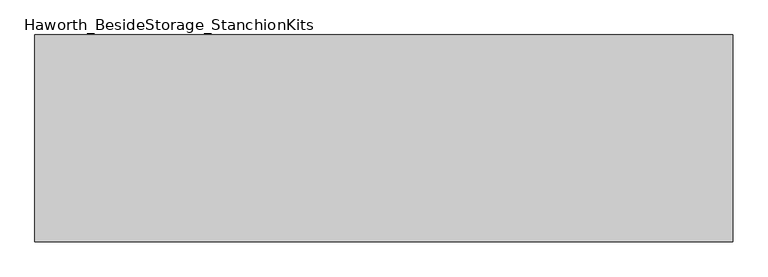
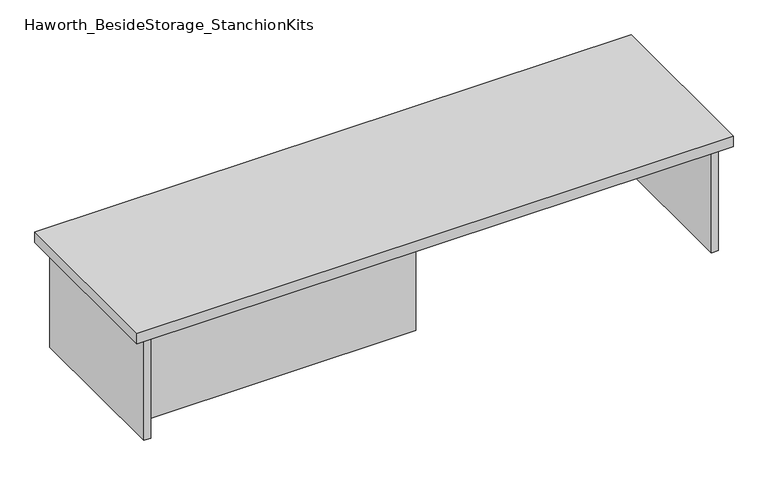
"""IFC4 building model written with IfcOpenShell, lengths in millimetres: furniture geometry, Haworth_BesideStorage_StanchionKits."""

from ifc_helpers import new_model, si_unit, frame, origin, place, context, project, spatial, polyline, outline, extrude, source, transform, mapped, element, save


def haworth_besidestorage_stanchionkits_d3ede033(model_context):
    return source(origin(), model_context, "Body", "SweptSolid", [
        extrude(outline(polyline([(847.725, 0.0), (847.725, -406.4), (-523.875, -406.4), (-523.875, 0.0), (847.725, 0.0)])), frame((0.0, 0.0, 685.8), z_axis=(0.0, 0.0, 1.0), x_axis=(1.0, 0.0, 0.0)), (0.0, 0.0, 1.0), 25.4),
        extrude(outline(polyline([(161.925, -76.2), (806.45, -76.2), (806.45, -92.075), (161.925, -92.075), (161.925, -76.2)])), frame((0.0, 0.0, 431.8), z_axis=(0.0, 0.0, 1.0), x_axis=(1.0, 0.0, 0.0)), (0.0, 0.0, 1.0), 254.0),
        extrude(outline(polyline([(161.925, -314.325), (161.925, -330.2), (-482.6, -330.2), (-482.6, -314.325), (161.925, -314.325)])), frame((0.0, 0.0, 431.8), z_axis=(0.0, 0.0, 1.0), x_axis=(1.0, 0.0, 0.0)), (0.0, 0.0, 1.0), 254.0),
        extrude(outline(polyline([(822.325, -390.525), (806.45, -390.525), (806.45, -15.875), (822.325, -15.875), (822.325, -390.525)])), frame((0.0, 0.0, 431.8), z_axis=(0.0, 0.0, 1.0), x_axis=(1.0, 0.0, 0.0)), (0.0, 0.0, 1.0), 254.0),
        extrude(outline(polyline([(-482.6, -390.525), (-498.475, -390.525), (-498.475, -15.875), (-482.6, -15.875), (-482.6, -390.525)])), frame((0.0, 0.0, 431.8), z_axis=(0.0, 0.0, 1.0), x_axis=(1.0, 0.0, 0.0)), (0.0, 0.0, 1.0), 254.0),
    ])


if __name__ == "__main__":
    model = new_model("IFC4")
    model_context = context("Model", 3, world=origin())
    ifc_project = project(units=[si_unit("LENGTHUNIT", "METRE", prefix="MILLI")], contexts=[model_context])
    site = spatial("IfcSite", under=ifc_project)
    building = spatial("IfcBuilding", under=site)
    placement = place(None, origin())
    haworth_besidestorage_stanchionkits_shape = haworth_besidestorage_stanchionkits_d3ede033(model_context)
    element("IfcFurniture", 1, ObjectType="Haworth_BesideStorage_StanchionKits", at=placement, inside=building, context=model_context, shape_type="MappedRepresentation", body=[
        mapped(haworth_besidestorage_stanchionkits_shape, transform((0.0, 0.0, 0.0), x_axis=(1.0, 0.0, 0.0), y_axis=(0.0, 1.0, 0.0), z_axis=(0.0, 0.0, 1.0))),
    ])
    save(model, "model.ifc")
